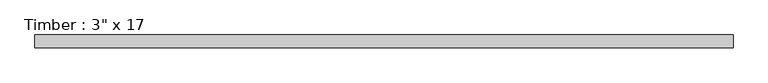
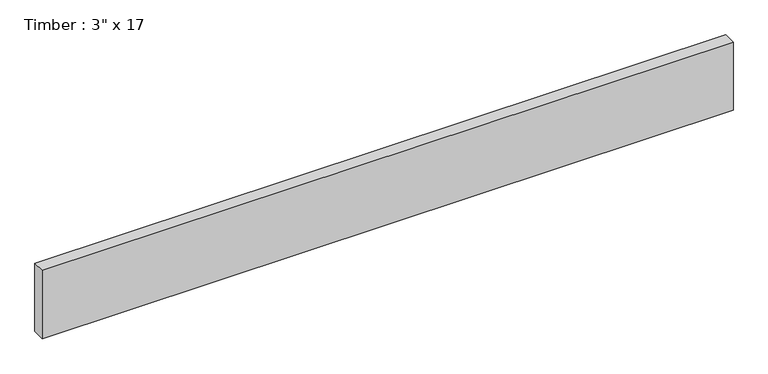
"""IFC4 building model written with IfcOpenShell, lengths in millimetres: beam geometry."""

import ifcopenshell
import ifcopenshell.guid

model = None  # the IFC model being written
_history = None  # IfcOwnerHistory: only IFC2X3 demands one
_inside = {}  # id of a spatial element -> (the spatial element, [elements in it])
_under = {}  # id of a project, library or spatial element -> (it, [spatial elements below it])
_declared = {}  # id of a project -> (the project, [libraries it declares])
_typed = {}  # id of a type object -> (the type object, [elements of that type])
_made_of = {}  # id of a material, layer set ... -> (it, [elements and type objects made of it])


def new_model(schema):
    """Start an empty IFC model of exactly this schema.

    Asked for "IFC4X3", IfcOpenShell would pick the latest addendum, in which some entities
    have other attributes; the version numbers below select the first issue.
    IFC2X3 requires an IfcOwnerHistory on every rooted entity: one is made here for all.
    """
    global model, _history
    if schema == "IFC4X3":
        model = ifcopenshell.file(schema_version=(4, 3, 0, 0))
    else:
        model = ifcopenshell.file(schema=schema)
    _inside.clear()
    _under.clear()
    _declared.clear()
    _typed.clear()
    _made_of.clear()
    _history = None
    if model.schema == "IFC2X3":
        org = make("IfcOrganization", Name="unknown")
        user = make(
            "IfcPersonAndOrganization",
            ThePerson=make("IfcPerson", FamilyName="unknown"),
            TheOrganization=org,
        )
        app = make(
            "IfcApplication",
            ApplicationDeveloper=org,
            Version="unknown",
            ApplicationFullName="unknown",
            ApplicationIdentifier="unknown",
        )
        _history = make(
            "IfcOwnerHistory",
            OwningUser=user,
            OwningApplication=app,
            ChangeAction="ADDED",
            CreationDate=0,
        )
    return model


def make(cls, **values):
    """One entity of the class cls with the attributes given. An attribute that is None is left unset."""
    return model.create_entity(
        cls, **{name: value for name, value in values.items() if value is not None}
    )


def rooted(cls, **values):
    """An entity with a GlobalId (a new one), such as an element, a storey or a relation."""
    return make(cls, GlobalId=ifcopenshell.guid.new(), OwnerHistory=_history, **values)


def si_unit(unit_type, name, prefix=None):
    """IfcSIUnit, for example si_unit("LENGTHUNIT", "METRE", prefix="MILLI")."""
    return make("IfcSIUnit", UnitType=unit_type, Prefix=prefix, Name=name)


def assignment(units):
    """IfcUnitAssignment: the units of a project."""
    return None if units is None else make("IfcUnitAssignment", Units=units)


def point(xyz):
    """IfcCartesianPoint."""
    return None if xyz is None else make("IfcCartesianPoint", Coordinates=xyz)


def direction(xyz):
    """IfcDirection."""
    return None if xyz is None else make("IfcDirection", DirectionRatios=xyz)


def frame(location, z_axis=None, x_axis=None):
    """IfcAxis2Placement3D, a coordinate frame: its origin and axes. An axis left out is left unset."""
    return make(
        "IfcAxis2Placement3D",
        Location=point(location),
        Axis=direction(z_axis),
        RefDirection=direction(x_axis),
    )


def origin():
    """The frame at (0, 0, 0) with its axes left unset."""
    return frame((0.0, 0.0, 0.0))


def place(relative_to, where):
    """IfcLocalPlacement: puts the frame where relative to a parent placement (None: the world)."""
    return make(
        "IfcLocalPlacement", PlacementRelTo=relative_to, RelativePlacement=where
    )


def context(
    kind, dimensions, precision=None, world=None, true_north=None, identifier=None
):
    """IfcGeometricRepresentationContext, for example the 3D "Model" context."""
    return make(
        "IfcGeometricRepresentationContext",
        ContextIdentifier=identifier,
        ContextType=kind,
        CoordinateSpaceDimension=dimensions,
        Precision=precision,
        WorldCoordinateSystem=world,
        TrueNorth=true_north,
    )


def project(units=None, contexts=None):
    """IfcProject with its units and contexts."""
    return rooted(
        "IfcProject",
        Name="project",
        RepresentationContexts=contexts,
        UnitsInContext=assignment(units),
    )


def spatial(cls, under=None, at=None, **own):
    """A site, building, storey or space (cls), placed at a placement, below another one or the project."""
    s = rooted(cls, ObjectPlacement=at, **own)
    if under is not None:
        _under.setdefault(under.id(), (under, []))[1].append(s)
    return s


def polyline(points):
    """IfcPolyline through the points."""
    return make("IfcPolyline", Points=[point(p) for p in points])


def outline(outer, holes=None, kind="AREA"):
    """IfcArbitraryClosedProfileDef: a profile drawn as a closed curve; with holes, ...WithVoids."""
    if holes is None:
        return make("IfcArbitraryClosedProfileDef", ProfileType=kind, OuterCurve=outer)
    return make(
        "IfcArbitraryProfileDefWithVoids",
        ProfileType=kind,
        OuterCurve=outer,
        InnerCurves=holes,
    )


def extrude(swept, where, along, depth):
    """IfcExtrudedAreaSolid: the profile swept, set in the frame where, extruded along a direction by depth."""
    return make(
        "IfcExtrudedAreaSolid",
        SweptArea=swept,
        Position=where,
        ExtrudedDirection=direction(along),
        Depth=depth,
    )


def shape(context_of_items, identifier, shape_type, items):
    """IfcShapeRepresentation: the items that make up one representation, for example the "Body"."""
    return make(
        "IfcShapeRepresentation",
        ContextOfItems=context_of_items,
        RepresentationIdentifier=identifier,
        RepresentationType=shape_type,
        Items=items,
    )


def source(mapping_origin, context_of_items, identifier, shape_type, items):
    """IfcRepresentationMap: a shape defined once, which mapped items show again and again."""
    return make(
        "IfcRepresentationMap",
        MappingOrigin=mapping_origin,
        MappedRepresentation=shape(context_of_items, identifier, shape_type, items),
    )


def transform(
    local_origin,
    x_axis=None,
    y_axis=None,
    z_axis=None,
    scale=None,
    scale2=None,
    scale3=None,
    uniform=True,
):
    """IfcCartesianTransformationOperator3D, or its non-uniform kind. x_axis, y_axis, z_axis: its Axis1, 2, 3."""
    if uniform:
        return make(
            "IfcCartesianTransformationOperator3D",
            Axis1=direction(x_axis),
            Axis2=direction(y_axis),
            LocalOrigin=point(local_origin),
            Scale=scale,
            Axis3=direction(z_axis),
        )
    return make(
        "IfcCartesianTransformationOperator3DnonUniform",
        Axis1=direction(x_axis),
        Axis2=direction(y_axis),
        LocalOrigin=point(local_origin),
        Scale=scale,
        Axis3=direction(z_axis),
        Scale2=scale2,
        Scale3=scale3,
    )


def mapped(mapping_source, mapping_target):
    """IfcMappedItem: shows the shape of a source again, moved by a transform."""
    return make(
        "IfcMappedItem", MappingSource=mapping_source, MappingTarget=mapping_target
    )


def made_of(thing, what):
    """Note that an element or type object is made of a material, layer set ...; save() writes the relation."""
    if what is not None:
        _made_of.setdefault(what.id(), (what, []))[1].append(thing)
    return thing


def element(
    cls,
    number,
    at=None,
    inside=None,
    cuts=None,
    type_object=None,
    material=None,
    context=None,
    identifier="Body",
    shape_type=None,
    held_by="IfcProductDefinitionShape",
    body=None,
    shapes=None,
    **own,
):
    """One element of the class cls, such as IfcWall. Its Tag is "e" and its number.

    at: its placement. inside: the storey or other place that contains it. cuts: it is an
    opening in that element (IfcRelVoidsElement). A single representation is given by context,
    identifier, shape_type and body (its items); several are given by shapes. held_by: the class
    of the entity that holds the representations. save() writes the other relations.
    """
    e = rooted(cls, Tag="e%d" % number, ObjectPlacement=at, **own)
    if body is not None:
        shapes = [shape(context, identifier, shape_type, body)]
    if shapes is not None:
        e.Representation = make(held_by, Representations=shapes)
    if inside is not None:
        _inside.setdefault(inside.id(), (inside, []))[1].append(e)
    if cuts is not None:
        rooted(
            "IfcRelVoidsElement", RelatingBuildingElement=cuts, RelatedOpeningElement=e
        )
    if type_object is not None:
        _typed.setdefault(type_object.id(), (type_object, []))[1].append(e)
    return made_of(e, material)


def aggregate(whole, parts):
    """IfcRelAggregates: a whole, such as a stair, and the parts it consists of."""
    return rooted("IfcRelAggregates", RelatingObject=whole, RelatedObjects=parts)


def save(model, path):
    """Write the relations noted so far, then the file.

    IfcRelAggregates (storeys below a building ...), IfcRelContainedInSpatialStructure (elements
    in a storey), IfcRelDefinesByType, IfcRelAssociatesMaterial and IfcRelDeclares: one each for
    every whole, place, type object, material and project.
    """
    for whole, parts in _under.values():
        aggregate(whole, parts)
    for where, things in _inside.values():
        rooted(
            "IfcRelContainedInSpatialStructure",
            RelatedElements=things,
            RelatingStructure=where,
        )
    for kind, things in _typed.values():
        rooted("IfcRelDefinesByType", RelatedObjects=things, RelatingType=kind)
    for what, things in _made_of.values():
        rooted("IfcRelAssociatesMaterial", RelatedObjects=things, RelatingMaterial=what)
    for by, libraries in _declared.values():
        rooted("IfcRelDeclares", RelatingContext=by, RelatedDefinitions=libraries)
    model.write(path)


def beam_e10e350f(model_context):
    return source(origin(), model_context, "Body", "SweptSolid", [
        extrude(outline(polyline([(2068.0457166, 38.1), (2068.0457166, -38.1), (-2068.0457166, -38.1), (-2068.0457166, 38.1), (2068.0457166, 38.1)])), frame((0.0, 0.0, -215.9), z_axis=(0.0, 0.0, 1.0), x_axis=(1.0, 0.0, 0.0)), (0.0, 0.0, 1.0), 431.8),
    ])


if __name__ == "__main__":
    model = new_model("IFC4")
    model_context = context("Model", 3, world=origin())
    ifc_project = project(units=[si_unit("LENGTHUNIT", "METRE", prefix="MILLI")], contexts=[model_context])
    site = spatial("IfcSite", under=ifc_project)
    building = spatial("IfcBuilding", under=site)
    placement = place(None, origin())
    beam_shape = beam_e10e350f(model_context)
    element("IfcBeam", 1, ObjectType="Timber : 3\" x 17", at=placement, inside=building, context=model_context, shape_type="MappedRepresentation", body=[
        mapped(beam_shape, transform((0.0, 0.0, 0.0), x_axis=(1.0, 0.0, 0.0), y_axis=(0.0, 1.0, 0.0), z_axis=(0.0, 0.0, 1.0))),
    ])
    save(model, "model.ifc")
